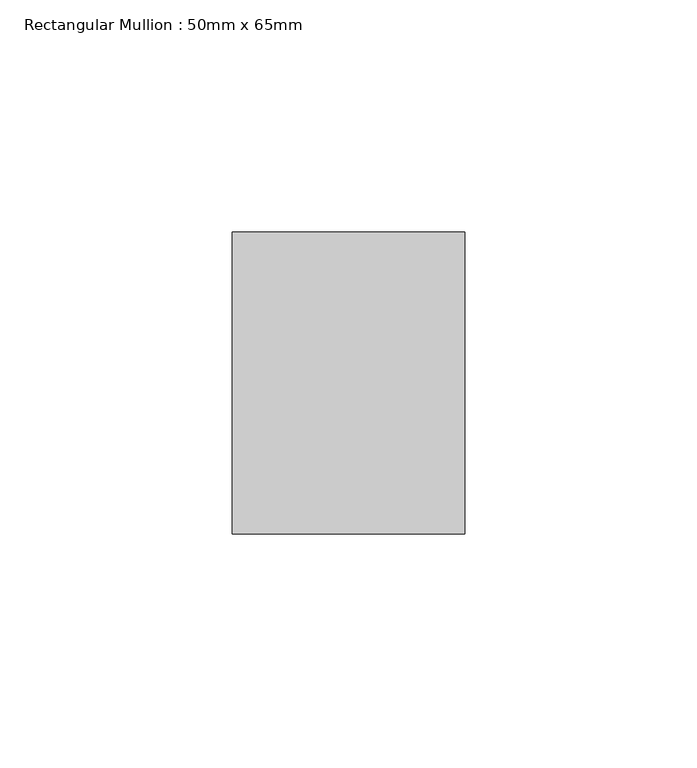
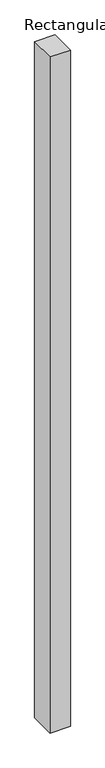
"""IFC4 building model written with IfcOpenShell, lengths in millimetres: member geometry, Rectangular Mullion : 50mm x 65mm."""

import ifcopenshell
import ifcopenshell.guid

model = None  # the IFC model being written
_history = None  # IfcOwnerHistory: only IFC2X3 demands one
_inside = {}  # id of a spatial element -> (the spatial element, [elements in it])
_under = {}  # id of a project, library or spatial element -> (it, [spatial elements below it])
_declared = {}  # id of a project -> (the project, [libraries it declares])
_typed = {}  # id of a type object -> (the type object, [elements of that type])
_made_of = {}  # id of a material, layer set ... -> (it, [elements and type objects made of it])


def new_model(schema):
    """Start an empty IFC model of exactly this schema.

    Asked for "IFC4X3", IfcOpenShell would pick the latest addendum, in which some entities
    have other attributes; the version numbers below select the first issue.
    IFC2X3 requires an IfcOwnerHistory on every rooted entity: one is made here for all.
    """
    global model, _history
    if schema == "IFC4X3":
        model = ifcopenshell.file(schema_version=(4, 3, 0, 0))
    else:
        model = ifcopenshell.file(schema=schema)
    _inside.clear()
    _under.clear()
    _declared.clear()
    _typed.clear()
    _made_of.clear()
    _history = None
    if model.schema == "IFC2X3":
        org = make("IfcOrganization", Name="unknown")
        user = make(
            "IfcPersonAndOrganization",
            ThePerson=make("IfcPerson", FamilyName="unknown"),
            TheOrganization=org,
        )
        app = make(
            "IfcApplication",
            ApplicationDeveloper=org,
            Version="unknown",
            ApplicationFullName="unknown",
            ApplicationIdentifier="unknown",
        )
        _history = make(
            "IfcOwnerHistory",
            OwningUser=user,
            OwningApplication=app,
            ChangeAction="ADDED",
            CreationDate=0,
        )
    return model


def make(cls, **values):
    """One entity of the class cls with the attributes given. An attribute that is None is left unset."""
    return model.create_entity(
        cls, **{name: value for name, value in values.items() if value is not None}
    )


def rooted(cls, **values):
    """An entity with a GlobalId (a new one), such as an element, a storey or a relation."""
    return make(cls, GlobalId=ifcopenshell.guid.new(), OwnerHistory=_history, **values)


def si_unit(unit_type, name, prefix=None):
    """IfcSIUnit, for example si_unit("LENGTHUNIT", "METRE", prefix="MILLI")."""
    return make("IfcSIUnit", UnitType=unit_type, Prefix=prefix, Name=name)


def assignment(units):
    """IfcUnitAssignment: the units of a project."""
    return None if units is None else make("IfcUnitAssignment", Units=units)


def point(xyz):
    """IfcCartesianPoint."""
    return None if xyz is None else make("IfcCartesianPoint", Coordinates=xyz)


def direction(xyz):
    """IfcDirection."""
    return None if xyz is None else make("IfcDirection", DirectionRatios=xyz)


def frame(location, z_axis=None, x_axis=None):
    """IfcAxis2Placement3D, a coordinate frame: its origin and axes. An axis left out is left unset."""
    return make(
        "IfcAxis2Placement3D",
        Location=point(location),
        Axis=direction(z_axis),
        RefDirection=direction(x_axis),
    )


def origin():
    """The frame at (0, 0, 0) with its axes left unset."""
    return frame((0.0, 0.0, 0.0))


def place(relative_to, where):
    """IfcLocalPlacement: puts the frame where relative to a parent placement (None: the world)."""
    return make(
        "IfcLocalPlacement", PlacementRelTo=relative_to, RelativePlacement=where
    )


def context(
    kind, dimensions, precision=None, world=None, true_north=None, identifier=None
):
    """IfcGeometricRepresentationContext, for example the 3D "Model" context."""
    return make(
        "IfcGeometricRepresentationContext",
        ContextIdentifier=identifier,
        ContextType=kind,
        CoordinateSpaceDimension=dimensions,
        Precision=precision,
        WorldCoordinateSystem=world,
        TrueNorth=true_north,
    )


def project(units=None, contexts=None):
    """IfcProject with its units and contexts."""
    return rooted(
        "IfcProject",
        Name="project",
        RepresentationContexts=contexts,
        UnitsInContext=assignment(units),
    )


def spatial(cls, under=None, at=None, **own):
    """A site, building, storey or space (cls), placed at a placement, below another one or the project."""
    s = rooted(cls, ObjectPlacement=at, **own)
    if under is not None:
        _under.setdefault(under.id(), (under, []))[1].append(s)
    return s


def polyline(points):
    """IfcPolyline through the points."""
    return make("IfcPolyline", Points=[point(p) for p in points])


def outline(outer, holes=None, kind="AREA"):
    """IfcArbitraryClosedProfileDef: a profile drawn as a closed curve; with holes, ...WithVoids."""
    if holes is None:
        return make("IfcArbitraryClosedProfileDef", ProfileType=kind, OuterCurve=outer)
    return make(
        "IfcArbitraryProfileDefWithVoids",
        ProfileType=kind,
        OuterCurve=outer,
        InnerCurves=holes,
    )


def extrude(swept, where, along, depth):
    """IfcExtrudedAreaSolid: the profile swept, set in the frame where, extruded along a direction by depth."""
    return make(
        "IfcExtrudedAreaSolid",
        SweptArea=swept,
        Position=where,
        ExtrudedDirection=direction(along),
        Depth=depth,
    )


def shape(context_of_items, identifier, shape_type, items):
    """IfcShapeRepresentation: the items that make up one representation, for example the "Body"."""
    return make(
        "IfcShapeRepresentation",
        ContextOfItems=context_of_items,
        RepresentationIdentifier=identifier,
        RepresentationType=shape_type,
        Items=items,
    )


def source(mapping_origin, context_of_items, identifier, shape_type, items):
    """IfcRepresentationMap: a shape defined once, which mapped items show again and again."""
    return make(
        "IfcRepresentationMap",
        MappingOrigin=mapping_origin,
        MappedRepresentation=shape(context_of_items, identifier, shape_type, items),
    )


def transform(
    local_origin,
    x_axis=None,
    y_axis=None,
    z_axis=None,
    scale=None,
    scale2=None,
    scale3=None,
    uniform=True,
):
    """IfcCartesianTransformationOperator3D, or its non-uniform kind. x_axis, y_axis, z_axis: its Axis1, 2, 3."""
    if uniform:
        return make(
            "IfcCartesianTransformationOperator3D",
            Axis1=direction(x_axis),
            Axis2=direction(y_axis),
            LocalOrigin=point(local_origin),
            Scale=scale,
            Axis3=direction(z_axis),
        )
    return make(
        "IfcCartesianTransformationOperator3DnonUniform",
        Axis1=direction(x_axis),
        Axis2=direction(y_axis),
        LocalOrigin=point(local_origin),
        Scale=scale,
        Axis3=direction(z_axis),
        Scale2=scale2,
        Scale3=scale3,
    )


def mapped(mapping_source, mapping_target):
    """IfcMappedItem: shows the shape of a source again, moved by a transform."""
    return make(
        "IfcMappedItem", MappingSource=mapping_source, MappingTarget=mapping_target
    )


def made_of(thing, what):
    """Note that an element or type object is made of a material, layer set ...; save() writes the relation."""
    if what is not None:
        _made_of.setdefault(what.id(), (what, []))[1].append(thing)
    return thing


def element(
    cls,
    number,
    at=None,
    inside=None,
    cuts=None,
    type_object=None,
    material=None,
    context=None,
    identifier="Body",
    shape_type=None,
    held_by="IfcProductDefinitionShape",
    body=None,
    shapes=None,
    **own,
):
    """One element of the class cls, such as IfcWall. Its Tag is "e" and its number.

    at: its placement. inside: the storey or other place that contains it. cuts: it is an
    opening in that element (IfcRelVoidsElement). A single representation is given by context,
    identifier, shape_type and body (its items); several are given by shapes. held_by: the class
    of the entity that holds the representations. save() writes the other relations.
    """
    e = rooted(cls, Tag="e%d" % number, ObjectPlacement=at, **own)
    if body is not None:
        shapes = [shape(context, identifier, shape_type, body)]
    if shapes is not None:
        e.Representation = make(held_by, Representations=shapes)
    if inside is not None:
        _inside.setdefault(inside.id(), (inside, []))[1].append(e)
    if cuts is not None:
        rooted(
            "IfcRelVoidsElement", RelatingBuildingElement=cuts, RelatedOpeningElement=e
        )
    if type_object is not None:
        _typed.setdefault(type_object.id(), (type_object, []))[1].append(e)
    return made_of(e, material)


def aggregate(whole, parts):
    """IfcRelAggregates: a whole, such as a stair, and the parts it consists of."""
    return rooted("IfcRelAggregates", RelatingObject=whole, RelatedObjects=parts)


def save(model, path):
    """Write the relations noted so far, then the file.

    IfcRelAggregates (storeys below a building ...), IfcRelContainedInSpatialStructure (elements
    in a storey), IfcRelDefinesByType, IfcRelAssociatesMaterial and IfcRelDeclares: one each for
    every whole, place, type object, material and project.
    """
    for whole, parts in _under.values():
        aggregate(whole, parts)
    for where, things in _inside.values():
        rooted(
            "IfcRelContainedInSpatialStructure",
            RelatedElements=things,
            RelatingStructure=where,
        )
    for kind, things in _typed.values():
        rooted("IfcRelDefinesByType", RelatedObjects=things, RelatingType=kind)
    for what, things in _made_of.values():
        rooted("IfcRelAssociatesMaterial", RelatedObjects=things, RelatingMaterial=what)
    for by, libraries in _declared.values():
        rooted("IfcRelDeclares", RelatingContext=by, RelatedDefinitions=libraries)
    model.write(path)


def rectangular_mullion_50mm_x_65mm_f41a74b8(model_context):
    return source(origin(), model_context, "Body", "SweptSolid", [
        extrude(outline(polyline([(25.0, 32.5), (25.0, -32.5), (-25.0, -32.5), (-25.0, 32.5), (25.0, 32.5)])), frame((0.0, 0.0, -1754.4947554), z_axis=(0.0, 0.0, 1.0), x_axis=(1.0, 0.0, 0.0)), (0.0, 0.0, 1.0), 1754.4947554),
    ])


if __name__ == "__main__":
    model = new_model("IFC4")
    model_context = context("Model", 3, world=origin())
    ifc_project = project(units=[si_unit("LENGTHUNIT", "METRE", prefix="MILLI")], contexts=[model_context])
    site = spatial("IfcSite", under=ifc_project)
    building = spatial("IfcBuilding", under=site)
    placement = place(None, origin())
    rectangular_mullion_50mm_x_65mm_shape = rectangular_mullion_50mm_x_65mm_f41a74b8(model_context)
    element("IfcMember", 1, ObjectType="Rectangular Mullion : 50mm x 65mm", at=placement, inside=building, context=model_context, shape_type="MappedRepresentation", body=[
        mapped(rectangular_mullion_50mm_x_65mm_shape, transform((0.0, 0.0, 0.0), x_axis=(1.0, 0.0, 0.0), y_axis=(0.0, 1.0, 0.0), z_axis=(0.0, 0.0, 1.0))),
    ])
    save(model, "model.ifc")
